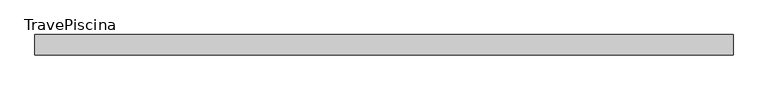
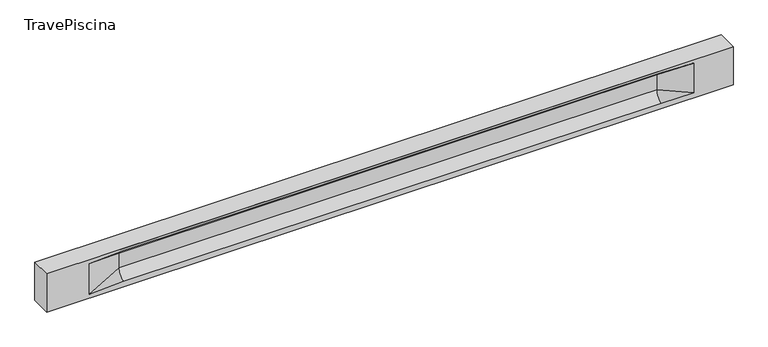
"""IFC4 building model written with IfcOpenShell, lengths in millimetres: beam geometry, TravePiscina."""

from ifc_helpers import new_model, si_unit, frame, origin, place, context, project, spatial, polyline, circle_curve, source, transform, mapped, element, save
from ifc_brep_helpers import plane_surface, revolved_surface, spline_surface, advanced_brep


def travepiscina_cadc5651(model_context):
    return source(origin(), model_context, "Body", "AdvancedBrep", [
        advanced_brep(
        [(8491.5, -250.0, 500.0), (8491.5, -250.0, -500.0), (8491.5, 250.0, -500.0), (8491.5, 250.0, 500.0), (-8491.5, -250.0, 500.0), (-8491.5, -250.0, -500.0), (7516.5, -250.0, -362.0), (6716.5, -250.0, -360.0), (-6591.5, -250.0, -360.0), (-7441.5, -250.0, -400.0), (-7441.5, -250.0, 400.0), (-6591.5, -250.0, 435.0), (6716.5, -250.0, 435.0), (7516.5, -250.0, 400.0), (-8491.5, 250.0, -500.0), (-8491.5, 250.0, 500.0), (7516.5, 250.0, 400.0), (6716.5, 250.0, 435.0), (-6591.5, 250.0, 435.0), (-7441.5, 250.0, 400.0), (-7441.5, 250.0, -400.0), (-6591.5, 250.0, -360.0), (6716.5, 250.0, -360.0), (7516.5, 250.0, -362.0), (6716.5, 155.0, 405.0), (-6591.5, 155.0, 405.0), (-6591.5, -60.0, 262.777021), (6716.5, -60.0, 262.777021), (6716.5, -155.0, 405.0), (-6591.5, -155.0, 405.0), (-6591.5, 60.0, 262.777021), (6716.5, 60.0, 262.777021), (6716.5, 60.0, -120.0), (-6591.5, 60.0, -120.0), (-6591.5, -60.0, -120.0), (6716.5, -60.0, -120.0)],
        [
            (0, 1),
            (1, 2),
            (2, 3),
            (3, 0),
            (0, 4),
            (4, 5),
            (5, 1),
            (6, 7),
            (7, 8),
            (8, 9),
            (9, 10),
            (10, 11),
            (11, 12),
            (12, 13),
            (13, 6),
            (5, 14),
            (14, 2),
            (14, 15),
            (15, 3),
            (16, 17),
            (17, 18),
            (18, 19),
            (19, 20),
            (20, 21),
            (21, 22),
            (22, 23),
            (23, 16),
            (15, 4),
            (17, 24),
            (24, 25),
            (25, 18),
            (26, 27),
            (27, 28, circle_curve(frame((6716.5, -213.9598725, 262.777021), z_axis=(1.0, 0.0, 0.0), x_axis=(0.0, 1.0, 0.0)), 153.9598725)),
            (28, 29),
            (29, 26, circle_curve(frame((-6591.5, -213.9598725, 262.777021), z_axis=(-1.0, 0.0, 0.0), x_axis=(0.0, 1.0, 0.0)), 153.9598725)),
            (30, 31),
            (31, 32),
            (32, 33),
            (33, 30),
            (28, 12),
            (11, 29),
            (34, 35),
            (35, 27),
            (26, 34),
            (25, 19),
            (22, 32, circle_curve(frame((6716.5, 306.5789474, -120.0), z_axis=(-1.0, 0.0, 0.0), x_axis=(0.0, 1.0, 0.0)), 246.5789474)),
            (32, 23),
            (10, 29),
            (10, 26),
            (13, 28),
            (27, 13),
            (30, 19),
            (25, 30, circle_curve(frame((-6591.5, 213.9598725, 262.777021), z_axis=(1.0, 0.0, 0.0), x_axis=(0.0, 1.0, 0.0)), 153.9598725)),
            (9, 34),
            (8, 34, circle_curve(frame((-6591.5, -306.5789474, -120.0), z_axis=(1.0, 0.0, 0.0), x_axis=(0.0, 1.0, 0.0)), 246.5789474)),
            (20, 33),
            (33, 21, circle_curve(frame((-6591.5, 306.5789474, -120.0), z_axis=(1.0, 0.0, 0.0), x_axis=(0.0, 1.0, 0.0)), 246.5789474)),
            (35, 6),
            (35, 7, circle_curve(frame((6716.5, -306.5789474, -120.0), z_axis=(-1.0, 0.0, 0.0), x_axis=(0.0, 1.0, 0.0)), 246.5789474)),
            (31, 16),
            (31, 24, circle_curve(frame((6716.5, 213.9598725, 262.777021), z_axis=(-1.0, 0.0, 0.0), x_axis=(0.0, 1.0, 0.0)), 153.9598725)),
            (24, 16),
        ],
        [
            plane_surface(frame((8491.5, 0.0, 0.0), z_axis=(1.0, 0.0, 0.0), x_axis=(0.0, 0.0, 1.0))),
            plane_surface(frame((8491.5, -250.0, 500.0), z_axis=(0.0, -1.0, 0.0), x_axis=(-1.0, 0.0, 0.0))),
            plane_surface(frame((8491.5, -250.0, -500.0), z_axis=(0.0, 0.0, -1.0), x_axis=(-1.0, 0.0, 0.0))),
            plane_surface(frame((8491.5, 250.0, -500.0), z_axis=(0.0, 1.0, 0.0), x_axis=(-1.0, 0.0, 0.0))),
            plane_surface(frame((8491.5, 250.0, 500.0), z_axis=(0.0, 0.0, 1.0), x_axis=(-1.0, 0.0, 0.0))),
            plane_surface(frame((-6591.5, 250.0, 435.0), z_axis=(0.0, 0.30113136793710954, -0.9535826651341378), x_axis=(1.0, 0.0, 0.0))),
            plane_surface(frame((-8491.5, 0.0, 0.0), z_axis=(-1.0, 0.0, 0.0), x_axis=(0.0, 0.0, 1.0))),
            revolved_surface(polyline([(6716.5, -60.0, 262.777021), (-6591.5, -60.0, 262.777021)]), (-6591.5, -213.9598725, 262.777021), (1.0, 0.0, 0.0)),
            plane_surface(frame((-6591.5, 60.0, 262.777021), z_axis=(0.0, 1.0, 0.0), x_axis=(1.0, 0.0, 0.0))),
            plane_surface(frame((-6591.5, -155.0, 405.0), z_axis=(0.0, -0.30113136793710693, -0.9535826651341387), x_axis=(1.0, 0.0, 0.0))),
            plane_surface(frame((-6591.5, -60.0, -120.0), z_axis=(0.0, -1.0, 0.0), x_axis=(1.0, 0.0, 0.0))),
            plane_surface(frame((-7441.5, 250.0, 400.0), z_axis=(0.03923493491469434, 0.30089950084952793, -0.9528484193567961), x_axis=(0.0, 0.9535826651341378, 0.30113136793710954))),
            spline_surface(2, 1, [[(6716.5, 250.0, -360.0), (7516.5, 250.0, -362.0)], [(6716.5, 60.00000002887427, -315.20833329480604), (7516.5, 250.0, -362.0)], [(6716.5, 60.0, -120.0), (7516.5, 250.0, -362.0)]], [3, 3], [2, 2], [0.0, 1.0], [0.0, 1.0], weights=[[1.0, 1.0], [0.7840458245391329, 0.7840458245391329], [1.0, 1.0]]),
            plane_surface(frame((-7441.5, -250.0, 400.0), z_axis=(0.03923493491469438, -0.3008995008495253, -0.952848419356797), x_axis=(0.0, 0.9535826651341387, -0.30113136793710693))),
            spline_surface(2, 1, [[(-7441.5, -250.0, 400.0), (-6591.5, -155.0, 405.0)], [(-7441.5, -250.0, 400.0), (-6591.5, -60.00000008030692, 365.6168572114734)], [(-7441.5, -250.0, 400.0), (-6591.5, -60.0, 262.777021)]], [3, 3], [2, 2], [0.0, 1.0], [0.0, 1.0], weights=[[1.0, 1.0], [0.8315515924557569, 0.8315515924557569], [1.0, 1.0]]),
            spline_surface(2, 1, [[(6716.5, -155.0, 405.0), (7516.5, -250.0, 400.0)], [(6716.5, -60.00000008030692, 365.6168572114734), (7516.5, -250.0, 400.0)], [(6716.5, -60.0, 262.777021), (7516.5, -250.0, 400.0)]], [3, 3], [2, 2], [0.0, 1.0], [0.0, 1.0], weights=[[1.0, 1.0], [0.8315515924557569, 0.8315515924557569], [1.0, 1.0]]),
            plane_surface(frame((6716.5, -202.5, 420.0), z_axis=(-0.04168298285568757, -0.30086965068766125, -0.9527538938442274), x_axis=(0.0, 0.9535826651341387, -0.30113136793710693))),
            spline_surface(2, 1, [[(-7441.5, 250.0, 400.0), (-6591.5, 60.0, 262.777021)], [(-7441.5, 250.0, 400.0), (-6591.5, 59.99999995452379, 365.6168572954922)], [(-7441.5, 250.0, 400.0), (-6591.5, 155.0, 405.0)]], [3, 3], [2, 2], [0.0, 1.0], [0.0, 1.0], weights=[[1.0, 1.0], [0.8315515921160737, 0.8315515921160737], [1.0, 1.0]]),
            plane_surface(frame((-7441.5, -250.0, 0.0), z_axis=(0.2181459637070523, -0.9759161534262671, 0.0), x_axis=(0.0, 0.0, -1.0))),
            spline_surface(2, 1, [[(-7441.5, -250.0, -400.0), (-6591.5, -60.0, -120.0)], [(-7441.5, -250.0, -400.0), (-6591.5, -59.99999998020837, -315.20833333333337)], [(-7441.5, -250.0, -400.0), (-6591.5, -250.0, -360.0)]], [3, 3], [2, 2], [0.0, 1.0], [0.0, 1.0], weights=[[1.0, 1.0], [0.7840458244617614, 0.7840458244617614], [1.0, 1.0]]),
            spline_surface(2, 1, [[(-7441.5, 250.0, -400.0), (-6591.5, 250.0, -360.0)], [(-7441.5, 250.0, -400.0), (-6591.5, 60.00000002887427, -315.20833329480604)], [(-7441.5, 250.0, -400.0), (-6591.5, 60.0, -120.0)]], [3, 3], [2, 2], [0.0, 1.0], [0.0, 1.0], weights=[[1.0, 1.0], [0.7840458245391329, 0.7840458245391329], [1.0, 1.0]]),
            plane_surface(frame((-7441.5, 250.0, 0.0), z_axis=(0.21814596370704822, 0.9759161534262681, 0.0), x_axis=(0.0, 0.0, 1.0))),
            plane_surface(frame((6716.5, -60.0, 71.3885105), z_axis=(-0.23107243079589793, -0.9729365507195601, 0.0), x_axis=(0.0, 0.0, -1.0))),
            spline_surface(2, 1, [[(6716.5, -60.0, -120.0), (7516.5, -250.0, -362.0)], [(6716.5, -59.99999998020837, -315.20833333333337), (7516.5, -250.0, -362.0)], [(6716.5, -250.0, -360.0), (7516.5, -250.0, -362.0)]], [3, 3], [2, 2], [0.0, 1.0], [0.0, 1.0], weights=[[1.0, 1.0], [0.7840458244617614, 0.7840458244617614], [1.0, 1.0]]),
            plane_surface(frame((6716.5, 60.0, 71.3885105), z_axis=(-0.2310724307958915, 0.9729365507195615, 0.0), x_axis=(0.0, 0.0, 1.0))),
            spline_surface(2, 1, [[(6716.5, 60.0, 262.777021), (7516.5, 250.0, 400.0)], [(6716.5, 59.99999995452379, 365.6168572954922), (7516.5, 250.0, 400.0)], [(6716.5, 155.0, 405.0), (7516.5, 250.0, 400.0)]], [3, 3], [2, 2], [0.0, 1.0], [0.0, 1.0], weights=[[1.0, 1.0], [0.8315515921160737, 0.8315515921160737], [1.0, 1.0]]),
            plane_surface(frame((6716.5, 202.5, 420.0), z_axis=(-0.041682982855686834, 0.30086965068766386, -0.9527538938442265), x_axis=(0.0, 0.9535826651341378, 0.30113136793710954))),
            revolved_surface(polyline([(6716.5, 367.919745, 262.777021), (-6591.5, 367.919745, 262.777021)]), (-6591.5, 213.9598725, 262.777021), (1.0, 0.0, 0.0)),
            revolved_surface(polyline([(6716.5, 553.1578948, -120.0), (-6591.5, 553.1578948, -120.0)]), (-6591.5, 306.5789474, -120.0), (1.0, 0.0, 0.0)),
            revolved_surface(polyline([(6716.5, -60.0, -120.0), (-6591.5, -60.0, -120.0)]), (-6591.5, -306.5789474, -120.0), (1.0, 0.0, 0.0)),
        ],
        [
            (0, [[1, 2, 3, 4]]),
            (1, [[-1, 5, 6, 7], [8, 9, 10, 11, 12, 13, 14, 15]]),
            (2, [[-2, -7, 16, 17]]),
            (3, [[-3, -17, 18, 19], [20, 21, 22, 23, 24, 25, 26, 27]]),
            (4, [[-5, -4, -19, 28]]),
            (5, [[-21, 29, 30, 31]]),
            (6, [[-28, -18, -16, -6]]),
            (7, [[32, 33, 34, 35]]),
            (8, [[36, 37, 38, 39]]),
            (9, [[-34, 40, -13, 41]]),
            (10, [[42, 43, -32, 44]]),
            (11, [[45, -22, -31]]),
            (12, [[-26, 46, 47]]),
            (13, [[-12, 48, -41]]),
            (14, [[-48, 49, -35]]),
            (15, [[50, -33, 51]]),
            (16, [[-14, -40, -50]]),
            (17, [[52, -45, 53]]),
            (18, [[-49, -11, 54, -44]]),
            (19, [[-54, -10, 55]]),
            (20, [[-24, 56, 57]]),
            (21, [[-52, -39, -56, -23]]),
            (22, [[-51, -43, 58, -15]]),
            (23, [[-58, 59, -8]]),
            (24, [[-47, -37, 60, -27]]),
            (25, [[-60, 61, 62]]),
            (26, [[-62, -29, -20]]),
            (27, [[-30, -61, -36, -53]]),
            (28, [[-38, -46, -25, -57]]),
            (29, [[-9, -59, -42, -55]]),
        ],
    ),
    ])


if __name__ == "__main__":
    model = new_model("IFC4")
    model_context = context("Model", 3, world=origin())
    ifc_project = project(units=[si_unit("LENGTHUNIT", "METRE", prefix="MILLI")], contexts=[model_context])
    site = spatial("IfcSite", under=ifc_project)
    building = spatial("IfcBuilding", under=site)
    placement = place(None, origin())
    travepiscina_shape = travepiscina_cadc5651(model_context)
    element("IfcBeam", 1, ObjectType="TravePiscina", at=placement, inside=building, context=model_context, shape_type="MappedRepresentation", body=[
        mapped(travepiscina_shape, transform((0.0, 0.0, 0.0), x_axis=(1.0, 0.0, 0.0), y_axis=(0.0, 1.0, 0.0), z_axis=(0.0, 0.0, 1.0))),
    ])
    save(model, "model.ifc")
